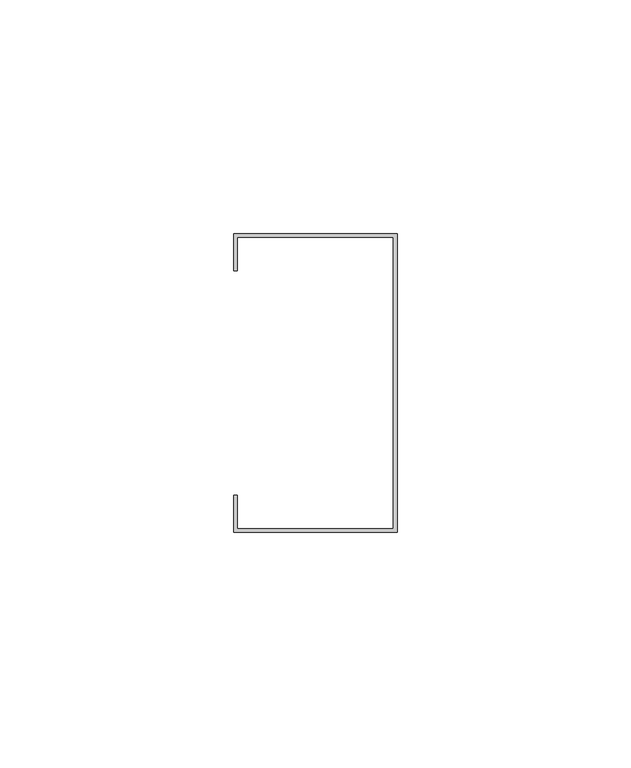
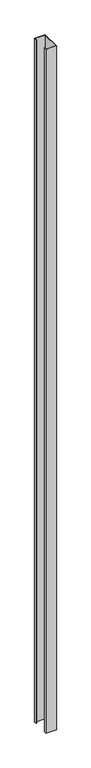
"""IFC4 building model written with IfcOpenShell, lengths in millimetres: proxy geometry."""

from ifc_helpers import new_model, si_unit, origin, origin_with_axes, place, context, project, spatial, polyline, outline, extrude, source, transform, mapped, element, save


def generic_models_76f40a6c(model_context):
    return source(origin(), model_context, "Body", "SweptSolid", [
        extrude(outline(polyline([(17.5, 32.0), (17.5, -32.0), (-17.5, -32.0), (-17.5, -24.0363892), (-16.7, -24.0363892), (-16.7, -31.1653155), (16.655552, -31.1653155), (16.655552, 31.2), (-16.7, 31.2), (-16.7, 24.0211392), (-17.5, 24.0211392), (-17.5, 32.0), (17.5, 32.0)])), origin_with_axes(), (0.0, 0.0, 1.0), 2400.0),
    ])


if __name__ == "__main__":
    model = new_model("IFC4")
    model_context = context("Model", 3, world=origin())
    ifc_project = project(units=[si_unit("LENGTHUNIT", "METRE", prefix="MILLI")], contexts=[model_context])
    site = spatial("IfcSite", under=ifc_project)
    building = spatial("IfcBuilding", under=site)
    placement = place(None, origin())
    generic_models_shape = generic_models_76f40a6c(model_context)
    element("IfcBuildingElementProxy", 1, Name="Generic Models", at=placement, inside=building, context=model_context, shape_type="MappedRepresentation", body=[
        mapped(generic_models_shape, transform((0.0, 0.0, 0.0), x_axis=(1.0, 0.0, 0.0), y_axis=(0.0, 1.0, 0.0), z_axis=(0.0, 0.0, 1.0))),
    ])
    save(model, "model.ifc")
